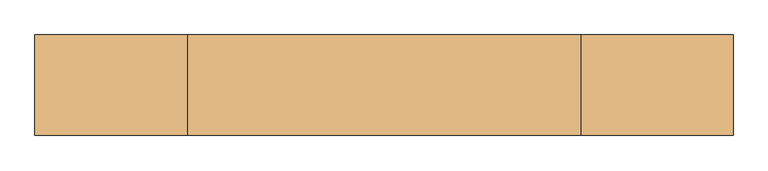
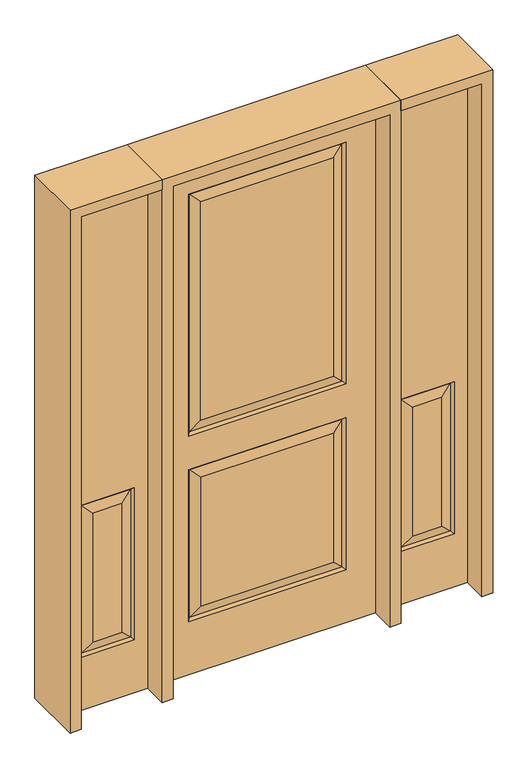
"""IFC4 building model written with IfcOpenShell, lengths in millimetres: door geometry."""

from ifc_helpers import new_model, si_unit, frame, origin, place, context, project, spatial, polyline, outline, extrude, faceted_brep, source, transform, mapped, element, save


def door_08bb87bf(model_context):
    return source(origin(), model_context, "Body", "SolidModel", [
        faceted_brep([(701.675, 20.6375, 209.55), (498.475, 20.6375, 209.55), (507.4552561, 11.6572439, 218.5302561), (692.6947439, 11.6572439, 218.5302561), (692.6947439, -11.6572439, 218.5302561), (692.6947439, -11.6572439, 803.8197439), (655.6375, -20.6375, 766.7625), (655.6375, -20.6375, 255.5875), (752.475, -20.6375, 2032.0), (752.475, 20.6375, 2032.0), (447.675, 20.6375, 2032.0), (447.675, -20.6375, 2032.0), (544.5125, -20.6375, 255.5875), (544.5125, -20.6375, 766.7625), (507.4552561, -11.6572439, 803.8197439), (507.4552561, -11.6572439, 218.5302561), (752.475, -20.6375, 0.0), (447.675, -20.6375, 0.0), (498.475, -20.6375, 209.55), (498.475, -20.6375, 812.8), (701.675, -20.6375, 812.8), (701.675, -20.6375, 209.55), (447.675, 20.6375, 0.0), (752.475, 20.6375, 0.0), (701.675, 20.6375, 812.8), (498.475, 20.6375, 812.8), (544.5125, 20.6375, 255.5875), (544.5125, 20.6375, 766.7625), (655.6375, 20.6375, 766.7625), (655.6375, 20.6375, 255.5875), (507.4552561, 11.6572439, 803.8197439), (692.6947439, 11.6572439, 803.8197439)], [[[0, 1, 2, 3]], [[4, 5, 6, 7]], [[8, 9, 10, 11]], [[12, 13, 14, 15]], [[16, 8, 11, 17], [18, 19, 20, 21]], [[7, 6, 13, 12]], [[17, 22, 23, 16]], [[11, 10, 22, 17]], [[16, 23, 9, 8]], [[23, 22, 10, 9], [0, 24, 25, 1]], [[26, 27, 28, 29]], [[15, 18, 21, 4]], [[21, 20, 5, 4]], [[20, 19, 14, 5]], [[15, 14, 19, 18]], [[4, 7, 12, 15]], [[5, 14, 13, 6]], [[1, 25, 30, 2]], [[31, 30, 25, 24]], [[3, 31, 24, 0]], [[2, 26, 29, 3]], [[29, 28, 31, 3]], [[28, 27, 30, 31]], [[2, 30, 27, 26]]]),
        faceted_brep([(-701.675, 20.6375, 209.55), (-692.6947439, 11.6572439, 218.5302561), (-507.4552561, 11.6572439, 218.5302561), (-498.475, 20.6375, 209.55), (-692.6947439, -11.6572439, 218.5302561), (-655.6375, -20.6375, 255.5875), (-655.6375, -20.6375, 766.7625), (-692.6947439, -11.6572439, 803.8197439), (-752.475, -20.6375, 2032.0), (-447.675, -20.6375, 2032.0), (-447.675, 20.6375, 2032.0), (-752.475, 20.6375, 2032.0), (-544.5125, -20.6375, 255.5875), (-507.4552561, -11.6572439, 218.5302561), (-507.4552561, -11.6572439, 803.8197439), (-544.5125, -20.6375, 766.7625), (-752.475, -20.6375, 0.0), (-447.675, -20.6375, 0.0), (-498.475, -20.6375, 209.55), (-701.675, -20.6375, 209.55), (-701.675, -20.6375, 812.8), (-498.475, -20.6375, 812.8), (-752.475, 20.6375, 0.0), (-447.675, 20.6375, 0.0), (-498.475, 20.6375, 812.8), (-701.675, 20.6375, 812.8), (-544.5125, 20.6375, 255.5875), (-655.6375, 20.6375, 255.5875), (-655.6375, 20.6375, 766.7625), (-544.5125, 20.6375, 766.7625), (-507.4552561, 11.6572439, 803.8197439), (-692.6947439, 11.6572439, 803.8197439)], [[[0, 1, 2, 3]], [[4, 5, 6, 7]], [[8, 9, 10, 11]], [[12, 13, 14, 15]], [[5, 12, 15, 6]], [[16, 17, 9, 8], [18, 19, 20, 21]], [[17, 16, 22, 23]], [[9, 17, 23, 10]], [[16, 8, 11, 22]], [[22, 11, 10, 23], [0, 3, 24, 25]], [[26, 27, 28, 29]], [[13, 4, 19, 18]], [[19, 4, 7, 20]], [[20, 7, 14, 21]], [[13, 18, 21, 14]], [[4, 13, 12, 5]], [[7, 6, 15, 14]], [[3, 2, 30, 24]], [[31, 25, 24, 30]], [[1, 0, 25, 31]], [[2, 1, 27, 26]], [[27, 1, 31, 28]], [[28, 31, 30, 29]], [[2, 26, 29, 30]]]),
        faceted_brep([(-286.2947439, -11.6572439, 218.5302561), (-249.2375, -20.6375, 255.5875), (-249.2375, -20.6375, 766.7625), (-286.2947439, -11.6572439, 803.8197439), (406.4, 20.6375, 0.0), (406.4, -20.6375, 0.0), (-406.4, -20.6375, 0.0), (-406.4, 20.6375, 0.0), (406.4, 20.6375, 2032.0), (406.4, -20.6375, 2032.0), (-249.2375, -20.6375, 992.1875), (249.2375, -20.6375, 992.1875), (249.2375, -20.6375, 1858.9625), (-249.2375, -20.6375, 1858.9625), (249.2375, -20.6375, 255.5875), (249.2375, -20.6375, 766.7625), (-406.4, -20.6375, 2032.0), (295.275, -20.6375, 946.15), (-295.275, -20.6375, 946.15), (-295.275, -20.6375, 1905.0), (295.275, -20.6375, 1905.0), (295.275, -20.6375, 209.55), (-295.275, -20.6375, 209.55), (-295.275, -20.6375, 812.8), (295.275, -20.6375, 812.8), (286.2947439, 11.6572439, 803.8197439), (-286.2947439, 11.6572439, 803.8197439), (-295.275, 20.6375, 812.8), (295.275, 20.6375, 812.8), (-286.2947439, 11.6572439, 218.5302561), (-295.275, 20.6375, 209.55), (286.2947439, 11.6572439, 218.5302561), (295.275, 20.6375, 209.55), (286.2947439, -11.6572439, 955.1302561), (-286.2947439, -11.6572439, 955.1302561), (-286.2947439, -11.6572439, 1896.0197439), (286.2947439, -11.6572439, 1896.0197439), (286.2947439, -11.6572439, 803.8197439), (-406.4, 20.6375, 2032.0), (-249.2375, 20.6375, 766.7625), (249.2375, 20.6375, 766.7625), (249.2375, 20.6375, 255.5875), (-249.2375, 20.6375, 255.5875), (-249.2375, 20.6375, 1858.9625), (249.2375, 20.6375, 1858.9625), (249.2375, 20.6375, 992.1875), (-249.2375, 20.6375, 992.1875), (295.275, 20.6375, 1905.0), (-295.275, 20.6375, 1905.0), (-295.275, 20.6375, 946.15), (295.275, 20.6375, 946.15), (-286.2947439, 11.6572439, 1896.0197439), (-286.2947439, 11.6572439, 955.1302561), (286.2947439, 11.6572439, 955.1302561), (286.2947439, 11.6572439, 1896.0197439), (286.2947439, -11.6572439, 218.5302561)], [[[0, 1, 2, 3]], [[4, 5, 6, 7]], [[8, 9, 5, 4]], [[10, 11, 12, 13]], [[1, 14, 15, 2]], [[9, 16, 6, 5], [17, 18, 19, 20], [21, 22, 23, 24]], [[25, 26, 27, 28]], [[27, 26, 29, 30]], [[30, 29, 31, 32]], [[33, 34, 18, 17]], [[18, 34, 35, 19]], [[33, 17, 20, 36]], [[34, 33, 11, 10]], [[23, 3, 37, 24]], [[3, 2, 15, 37]], [[16, 38, 7, 6]], [[39, 40, 41, 42]], [[43, 44, 45, 46]], [[38, 8, 4, 7], [28, 27, 30, 32], [47, 48, 49, 50]], [[48, 51, 52, 49]], [[49, 52, 53, 50]], [[54, 47, 50, 53]], [[44, 54, 53, 45]], [[52, 46, 45, 53]], [[51, 43, 46, 52]], [[25, 28, 32, 31]], [[26, 25, 40, 39]], [[40, 25, 31, 41]], [[29, 42, 41, 31]], [[26, 39, 42, 29]], [[11, 33, 36, 12]], [[34, 10, 13, 35]], [[55, 0, 22, 21]], [[22, 0, 3, 23]], [[55, 21, 24, 37]], [[0, 55, 14, 1]], [[14, 55, 37, 15]], [[8, 38, 16, 9]], [[19, 35, 36, 20]], [[35, 13, 12, 36]], [[54, 51, 48, 47]], [[51, 54, 44, 43]]]),
        extrude(outline(polyline([(2032.0, -447.675), (2073.275, -447.675), (2073.275, -793.75), (0.0, -793.75), (0.0, -752.475), (2032.0, -752.475), (2032.0, -447.675)])), frame((0.0, -114.3, 0.0), z_axis=(0.0, 1.0, 0.0), x_axis=(0.0, 0.0, 1.0)), (0.0, 0.0, 1.0), 228.6),
        extrude(outline(polyline([(2073.275, -447.675), (0.0, -447.675), (0.0, -406.4), (2032.0, -406.4), (2032.0, 406.4), (0.0, 406.4), (0.0, 447.675), (2073.275, 447.675), (2073.275, -447.675)])), frame((0.0, -114.3, 0.0), z_axis=(0.0, 1.0, 0.0), x_axis=(0.0, 0.0, 1.0)), (0.0, 0.0, 1.0), 228.6),
        extrude(outline(polyline([(0.0, 752.475), (0.0, 793.75), (2073.275, 793.75), (2073.275, 447.675), (2032.0, 447.675), (2032.0, 752.475), (0.0, 752.475)])), frame((0.0, -114.3, 0.0), z_axis=(0.0, 1.0, 0.0), x_axis=(0.0, 0.0, 1.0)), (0.0, 0.0, 1.0), 228.6),
    ])


if __name__ == "__main__":
    model = new_model("IFC4")
    model_context = context("Model", 3, world=origin())
    ifc_project = project(units=[si_unit("LENGTHUNIT", "METRE", prefix="MILLI")], contexts=[model_context])
    site = spatial("IfcSite", under=ifc_project)
    building = spatial("IfcBuilding", under=site)
    placement = place(None, origin())
    door_shape = door_08bb87bf(model_context)
    element("IfcDoor", 1, at=placement, inside=building, context=model_context, shape_type="MappedRepresentation", body=[
        mapped(door_shape, transform((0.0, 0.0, 0.0), x_axis=(1.0, 0.0, 0.0), y_axis=(0.0, 1.0, 0.0), z_axis=(0.0, 0.0, 1.0))),
    ])
    save(model, "model.ifc")
